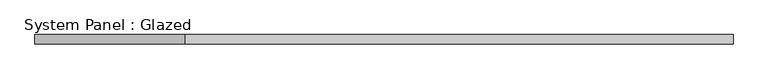
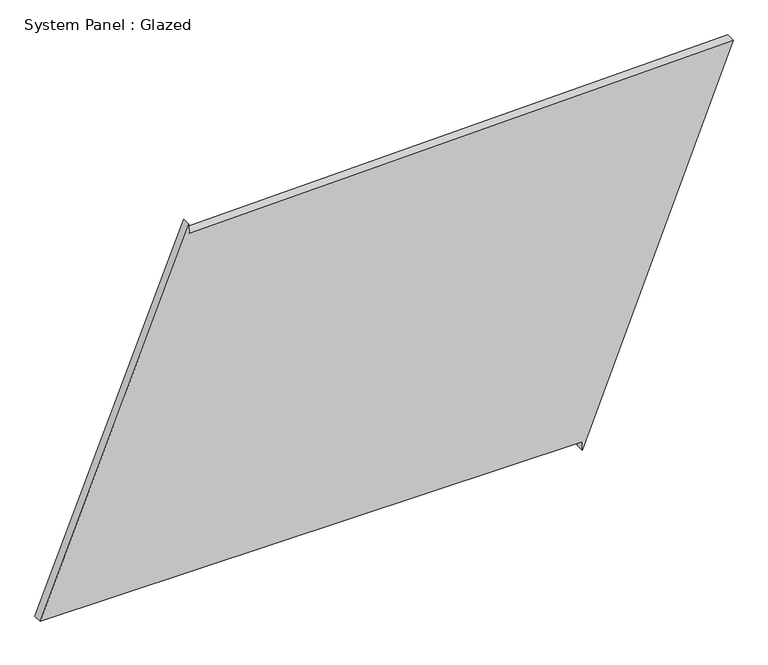
"""IFC4 building model written with IfcOpenShell, lengths in millimetres: plate geometry, System Panel : Glazed."""

from ifc_helpers import new_model, si_unit, frame, origin, place, context, project, spatial, polyline, outline, extrude, source, transform, mapped, element, save


def system_panel_glazed_4323c4b6(model_context):
    return source(origin(), model_context, "Body", "SweptSolid", [
        extrude(outline(polyline([(25.0, 536.8911535), (0.0, 536.8911535), (1045.002826, 950.1141404), (1008.0185037, -541.7276455), (1033.0108248, -542.3472314), (25.0, -950.1141404), (25.0, 536.8911535)])), frame((0.0, -49.5, 0.0), z_axis=(0.0, 1.0, 0.0), x_axis=(0.0, 0.0, 1.0)), (0.0, 0.0, 1.0), 25.0),
    ])


if __name__ == "__main__":
    model = new_model("IFC4")
    model_context = context("Model", 3, world=origin())
    ifc_project = project(units=[si_unit("LENGTHUNIT", "METRE", prefix="MILLI")], contexts=[model_context])
    site = spatial("IfcSite", under=ifc_project)
    building = spatial("IfcBuilding", under=site)
    placement = place(None, origin())
    system_panel_glazed_shape = system_panel_glazed_4323c4b6(model_context)
    element("IfcPlate", 1, ObjectType="System Panel : Glazed", at=placement, inside=building, context=model_context, shape_type="MappedRepresentation", body=[
        mapped(system_panel_glazed_shape, transform((0.0, 0.0, 0.0), x_axis=(1.0, 0.0, 0.0), y_axis=(0.0, 1.0, 0.0), z_axis=(0.0, 0.0, 1.0))),
    ])
    save(model, "model.ifc")
